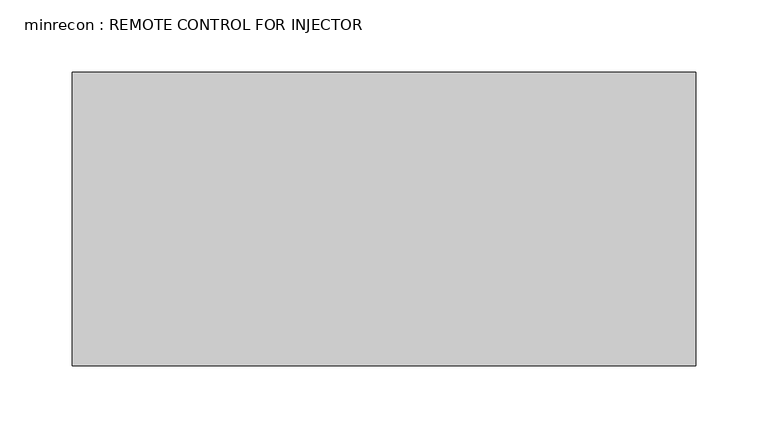
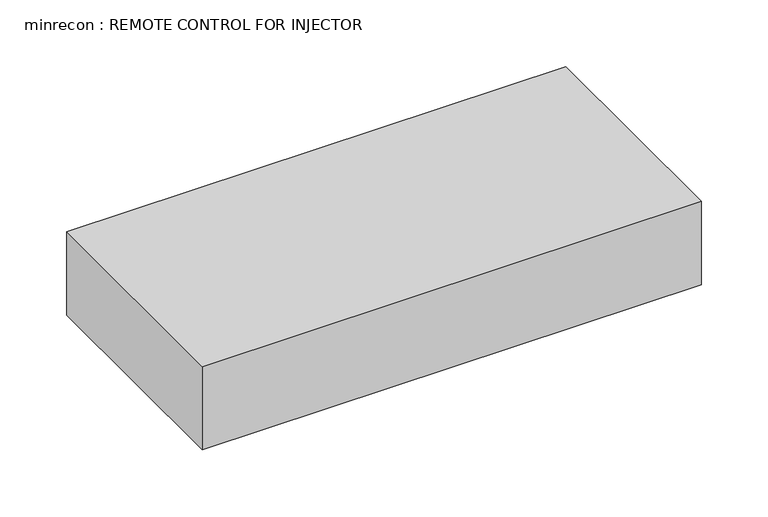
"""IFC4 building model written with IfcOpenShell, lengths in millimetres: proxy geometry, minrecon : REMOTE CONTROL FOR INJECTOR."""

from ifc_helpers import new_model, si_unit, frame, origin, place, context, project, spatial, polyline, outline, extrude, source, transform, mapped, element, save


def minrecon_remote_control_for_injector_7b506ccf(model_context):
    return source(origin(), model_context, "Body", "SweptSolid", [
        extrude(outline(polyline([(-316.8196378, 20.1829439), (114.9803622, 20.1829439), (114.9803622, -183.0170561), (-316.8196378, -183.0170561), (-316.8196378, 20.1829439)])), frame((0.0, 0.0, 914.4), z_axis=(0.0, 0.0, 1.0), x_axis=(1.0, 0.0, 0.0)), (0.0, 0.0, 1.0), 76.2),
    ])


if __name__ == "__main__":
    model = new_model("IFC4")
    model_context = context("Model", 3, world=origin())
    ifc_project = project(units=[si_unit("LENGTHUNIT", "METRE", prefix="MILLI")], contexts=[model_context])
    site = spatial("IfcSite", under=ifc_project)
    building = spatial("IfcBuilding", under=site)
    placement = place(None, origin())
    minrecon_remote_control_for_injector_shape = minrecon_remote_control_for_injector_7b506ccf(model_context)
    element("IfcBuildingElementProxy", 1, Name="minrecon : REMOTE CONTROL FOR INJECTOR", ObjectType="minrecon : REMOTE CONTROL FOR INJECTOR", at=placement, inside=building, context=model_context, shape_type="MappedRepresentation", body=[
        mapped(minrecon_remote_control_for_injector_shape, transform((0.0, 0.0, 0.0), x_axis=(1.0, 0.0, 0.0), y_axis=(0.0, 1.0, 0.0), z_axis=(0.0, 0.0, 1.0))),
    ])
    save(model, "model.ifc")
